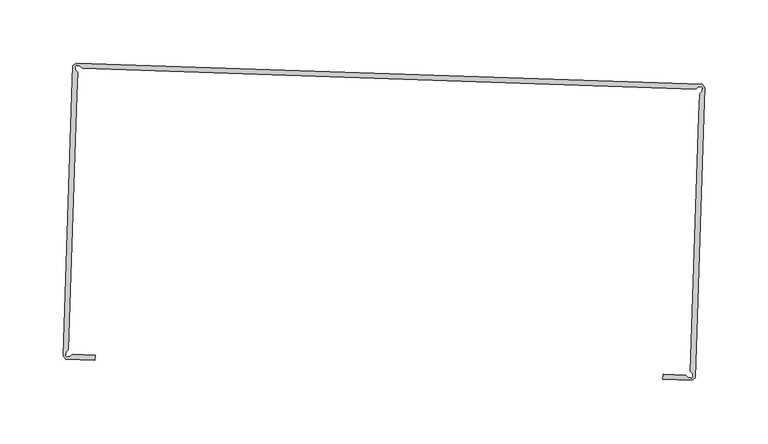
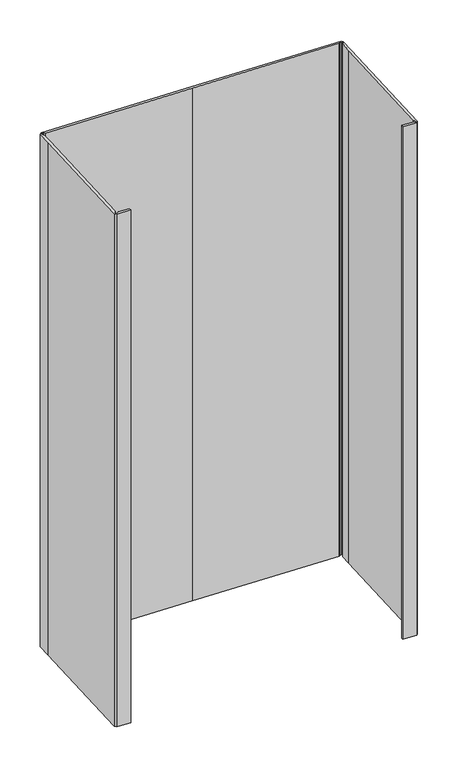
"""IFC4 building model written with IfcOpenShell, lengths in millimetres: proxy geometry."""

from ifc_helpers import new_model, si_unit, frame, origin, place, context, project, spatial, polyline, outline, extrude, source, transform, mapped, element, save


def generic_models_39de4aaf(model_context):
    return source(origin(), model_context, "Body", "SweptSolid", [
        extrude(outline(polyline([(32722.0928826, -15355.0453401), (32729.0092909, -15152.940025), (32729.6275771, -15134.8508131), (32731.6588271, -15132.9543287), (32731.7232803, -15131.0510084), (32732.3775771, -15130.4396803), (32730.9908584, -15128.9543287), (32730.3365615, -15129.5646803), (32728.4322646, -15129.5002271), (32726.4029678, -15131.3967115), (32483.0338271, -15123.06761), (32239.6646865, -15114.739485), (32237.7682021, -15112.708235), (32235.8639053, -15112.6437818), (32235.2525771, -15111.989485), (32233.766249, -15113.3771803), (32234.3775771, -15114.0305006), (32234.313124, -15115.9347975), (32236.2096084, -15117.9650709), (32235.5897537, -15136.0543186), (32228.6733452, -15338.1596338), (32226.6426172, -15340.0559703), (32226.5774698, -15341.9596579), (32225.9233469, -15342.5704916), (32227.3109242, -15344.0564048), (32227.9650471, -15343.4455711), (32229.8687344, -15343.5107188), (32231.8994622, -15341.6143822), (32249.9888522, -15342.2334338), (32249.8530435, -15346.2019197), (32226.8358266, -15345.4142286), (32224.5362203, -15342.9516521), (32231.6212679, -15135.9185099), (32232.4088271, -15112.9015943), (32234.8717178, -15110.6017896), (32483.1685928, -15119.09886), (32731.4654678, -15127.5969068), (32733.766249, -15130.0588209), (32732.9777765, -15153.0758337), (32725.8927292, -15360.1089759), (32723.4301525, -15362.4085822), (32700.4129356, -15361.6208916), (32700.5487443, -15357.6524058), (32718.6381341, -15358.2714574), (32720.5344707, -15360.3021851), (32722.4381582, -15360.3673328), (32723.0489917, -15361.0214554), (32724.5349051, -15359.6338783), (32723.9240715, -15358.9797554), (32723.9892192, -15357.0760679), (32722.0928826, -15355.0453401)])), frame((0.0, 0.0, 1597.975708), z_axis=(0.0, 0.0, 1.0), x_axis=(1.0, 0.0, 0.0)), (0.0, 0.0, 1.0), 914.4),
    ])


if __name__ == "__main__":
    model = new_model("IFC4")
    model_context = context("Model", 3, world=origin())
    ifc_project = project(units=[si_unit("LENGTHUNIT", "METRE", prefix="MILLI")], contexts=[model_context])
    site = spatial("IfcSite", under=ifc_project)
    building = spatial("IfcBuilding", under=site)
    placement = place(None, origin())
    generic_models_shape = generic_models_39de4aaf(model_context)
    element("IfcBuildingElementProxy", 1, Name="Generic Models", at=placement, inside=building, context=model_context, shape_type="MappedRepresentation", body=[
        mapped(generic_models_shape, transform((0.0, 0.0, 0.0), x_axis=(1.0, 0.0, 0.0), y_axis=(0.0, 1.0, 0.0), z_axis=(0.0, 0.0, 1.0))),
    ])
    save(model, "model.ifc")
